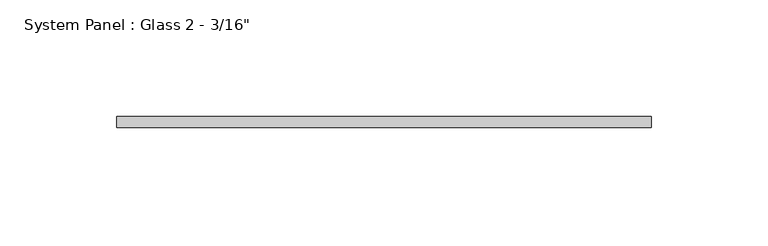
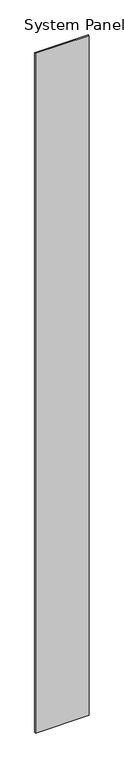
"""IFC4 building model written with IfcOpenShell, lengths in millimetres: plate geometry."""

from ifc_helpers import new_model, si_unit, origin, origin_with_axes, place, context, project, spatial, polyline, outline, extrude, source, transform, mapped, element, save


def plate_42e21cf0(model_context):
    return source(origin(), model_context, "Body", "SweptSolid", [
        extrude(outline(polyline([(114.3, 6.35), (-114.3, 6.35), (-114.3, 11.1125), (114.3, 11.1125), (114.3, 6.35)])), origin_with_axes(), (0.0, 0.0, 1.0), 3048.0),
    ])


if __name__ == "__main__":
    model = new_model("IFC4")
    model_context = context("Model", 3, world=origin())
    ifc_project = project(units=[si_unit("LENGTHUNIT", "METRE", prefix="MILLI")], contexts=[model_context])
    site = spatial("IfcSite", under=ifc_project)
    building = spatial("IfcBuilding", under=site)
    placement = place(None, origin())
    plate_shape = plate_42e21cf0(model_context)
    element("IfcPlate", 1, ObjectType="System Panel : Glass 2 - 3/16\"", at=placement, inside=building, context=model_context, shape_type="MappedRepresentation", body=[
        mapped(plate_shape, transform((0.0, 0.0, 0.0), x_axis=(1.0, 0.0, 0.0), y_axis=(0.0, 1.0, 0.0), z_axis=(0.0, 0.0, 1.0))),
    ])
    save(model, "model.ifc")
